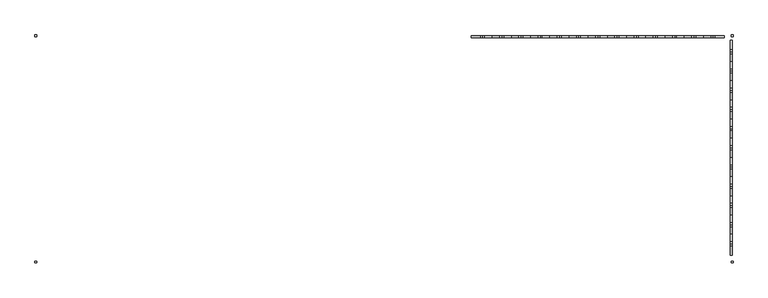
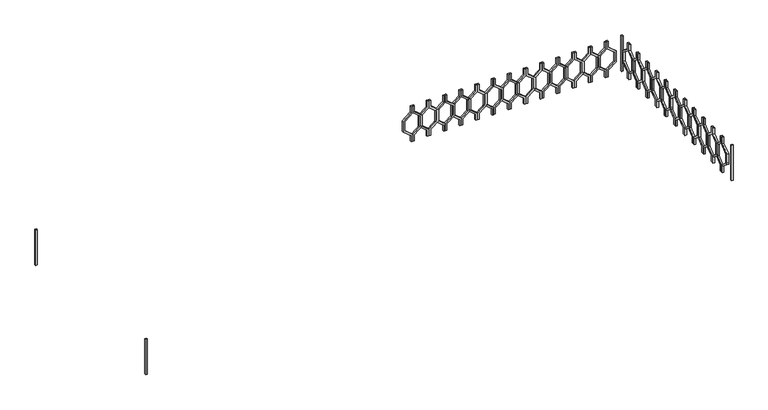
"""IFC4 building model written with IfcOpenShell, lengths in millimetres: railing geometry."""

from ifc_helpers import new_model, si_unit, frame, origin, place, context, project, spatial, polyline, outline, extrude, source, transform, mapped, element, save


def railing_4fcf7799(model_context):
    return source(origin(), model_context, "Body", "SweptSolid", [
        extrude(outline(polyline([(4960.0, -43314.9887159), (4960.0, -43334.9887159), (4880.0, -43334.9887159), (4800.0, -43433.9836653), (4660.0, -43433.9836653), (4580.0, -43334.9887159), (4500.0, -43334.9887159), (4500.0, -43314.9887159), (4589.551845, -43314.9887159), (4669.551845, -43413.9836653), (4790.448155, -43413.9836653), (4870.448155, -43314.9887159), (4960.0, -43314.9887159)])), frame((0.0, 3248.1079487, 0.0), z_axis=(0.0, 1.0, 0.0), x_axis=(0.0, 0.0, 1.0)), (0.0, 0.0, 1.0), 20.0),
        extrude(outline(polyline([(4960.0, -43314.9887159), (4870.448155, -43314.9887159), (4790.448155, -43215.9937665), (4669.551845, -43215.9937665), (4589.551845, -43314.9887159), (4500.0, -43314.9887159), (4500.0, -43294.9887159), (4580.0, -43294.9887159), (4660.0, -43195.9937665), (4800.0, -43195.9937665), (4880.0, -43294.9887159), (4960.0, -43294.9887159), (4960.0, -43314.9887159)])), frame((0.0, 3248.1079487, 0.0), z_axis=(0.0, 1.0, 0.0), x_axis=(0.0, 0.0, 1.0)), (0.0, 0.0, 1.0), 20.0),
        extrude(outline(polyline([(4960.0, -43114.9887159), (4960.0, -43134.9887159), (4880.0, -43134.9887159), (4800.0, -43233.9836653), (4660.0, -43233.9836653), (4580.0, -43134.9887159), (4500.0, -43134.9887159), (4500.0, -43114.9887159), (4589.551845, -43114.9887159), (4669.551845, -43213.9836653), (4790.448155, -43213.9836653), (4870.448155, -43114.9887159), (4960.0, -43114.9887159)])), frame((0.0, 3248.1079487, 0.0), z_axis=(0.0, 1.0, 0.0), x_axis=(0.0, 0.0, 1.0)), (0.0, 0.0, 1.0), 20.0),
        extrude(outline(polyline([(4960.0, -43114.9887159), (4870.448155, -43114.9887159), (4790.448155, -43015.9937665), (4669.551845, -43015.9937665), (4589.551845, -43114.9887159), (4500.0, -43114.9887159), (4500.0, -43094.9887159), (4580.0, -43094.9887159), (4660.0, -42995.9937665), (4800.0, -42995.9937665), (4880.0, -43094.9887159), (4960.0, -43094.9887159), (4960.0, -43114.9887159)])), frame((0.0, 3248.1079487, 0.0), z_axis=(0.0, 1.0, 0.0), x_axis=(0.0, 0.0, 1.0)), (0.0, 0.0, 1.0), 20.0),
        extrude(outline(polyline([(4960.0, -42914.9887159), (4960.0, -42934.9887159), (4880.0, -42934.9887159), (4800.0, -43033.9836653), (4660.0, -43033.9836653), (4580.0, -42934.9887159), (4500.0, -42934.9887159), (4500.0, -42914.9887159), (4589.551845, -42914.9887159), (4669.551845, -43013.9836653), (4790.448155, -43013.9836653), (4870.448155, -42914.9887159), (4960.0, -42914.9887159)])), frame((0.0, 3248.1079487, 0.0), z_axis=(0.0, 1.0, 0.0), x_axis=(0.0, 0.0, 1.0)), (0.0, 0.0, 1.0), 20.0),
        extrude(outline(polyline([(4960.0, -42914.9887159), (4870.448155, -42914.9887159), (4790.448155, -42815.9937665), (4669.551845, -42815.9937665), (4589.551845, -42914.9887159), (4500.0, -42914.9887159), (4500.0, -42894.9887159), (4580.0, -42894.9887159), (4660.0, -42795.9937665), (4800.0, -42795.9937665), (4880.0, -42894.9887159), (4960.0, -42894.9887159), (4960.0, -42914.9887159)])), frame((0.0, 3248.1079487, 0.0), z_axis=(0.0, 1.0, 0.0), x_axis=(0.0, 0.0, 1.0)), (0.0, 0.0, 1.0), 20.0),
        extrude(outline(polyline([(4960.0, -42714.9887159), (4960.0, -42734.9887159), (4880.0, -42734.9887159), (4800.0, -42833.9836653), (4660.0, -42833.9836653), (4580.0, -42734.9887159), (4500.0, -42734.9887159), (4500.0, -42714.9887159), (4589.551845, -42714.9887159), (4669.551845, -42813.9836653), (4790.448155, -42813.9836653), (4870.448155, -42714.9887159), (4960.0, -42714.9887159)])), frame((0.0, 3248.1079487, 0.0), z_axis=(0.0, 1.0, 0.0), x_axis=(0.0, 0.0, 1.0)), (0.0, 0.0, 1.0), 20.0),
        extrude(outline(polyline([(4960.0, -42714.9887159), (4870.448155, -42714.9887159), (4790.448155, -42615.9937665), (4669.551845, -42615.9937665), (4589.551845, -42714.9887159), (4500.0, -42714.9887159), (4500.0, -42694.9887159), (4580.0, -42694.9887159), (4660.0, -42595.9937665), (4800.0, -42595.9937665), (4880.0, -42694.9887159), (4960.0, -42694.9887159), (4960.0, -42714.9887159)])), frame((0.0, 3248.1079487, 0.0), z_axis=(0.0, 1.0, 0.0), x_axis=(0.0, 0.0, 1.0)), (0.0, 0.0, 1.0), 20.0),
        extrude(outline(polyline([(4960.0, -42514.9887159), (4960.0, -42534.9887159), (4880.0, -42534.9887159), (4800.0, -42633.9836653), (4660.0, -42633.9836653), (4580.0, -42534.9887159), (4500.0, -42534.9887159), (4500.0, -42514.9887159), (4589.551845, -42514.9887159), (4669.551845, -42613.9836653), (4790.448155, -42613.9836653), (4870.448155, -42514.9887159), (4960.0, -42514.9887159)])), frame((0.0, 3248.1079487, 0.0), z_axis=(0.0, 1.0, 0.0), x_axis=(0.0, 0.0, 1.0)), (0.0, 0.0, 1.0), 20.0),
        extrude(outline(polyline([(4960.0, -42514.9887159), (4870.448155, -42514.9887159), (4790.448155, -42415.9937665), (4669.551845, -42415.9937665), (4589.551845, -42514.9887159), (4500.0, -42514.9887159), (4500.0, -42494.9887159), (4580.0, -42494.9887159), (4660.0, -42395.9937665), (4800.0, -42395.9937665), (4880.0, -42494.9887159), (4960.0, -42494.9887159), (4960.0, -42514.9887159)])), frame((0.0, 3248.1079487, 0.0), z_axis=(0.0, 1.0, 0.0), x_axis=(0.0, 0.0, 1.0)), (0.0, 0.0, 1.0), 20.0),
        extrude(outline(polyline([(4960.0, -42314.9887159), (4960.0, -42334.9887159), (4880.0, -42334.9887159), (4800.0, -42433.9836653), (4660.0, -42433.9836653), (4580.0, -42334.9887159), (4500.0, -42334.9887159), (4500.0, -42314.9887159), (4589.551845, -42314.9887159), (4669.551845, -42413.9836653), (4790.448155, -42413.9836653), (4870.448155, -42314.9887159), (4960.0, -42314.9887159)])), frame((0.0, 3248.1079487, 0.0), z_axis=(0.0, 1.0, 0.0), x_axis=(0.0, 0.0, 1.0)), (0.0, 0.0, 1.0), 20.0),
        extrude(outline(polyline([(4960.0, -42314.9887159), (4870.448155, -42314.9887159), (4790.448155, -42215.9937665), (4669.551845, -42215.9937665), (4589.551845, -42314.9887159), (4500.0, -42314.9887159), (4500.0, -42294.9887159), (4580.0, -42294.9887159), (4660.0, -42195.9937665), (4800.0, -42195.9937665), (4880.0, -42294.9887159), (4960.0, -42294.9887159), (4960.0, -42314.9887159)])), frame((0.0, 3248.1079487, 0.0), z_axis=(0.0, 1.0, 0.0), x_axis=(0.0, 0.0, 1.0)), (0.0, 0.0, 1.0), 20.0),
        extrude(outline(polyline([(4960.0, -42114.9887159), (4960.0, -42134.9887159), (4880.0, -42134.9887159), (4800.0, -42233.9836653), (4660.0, -42233.9836653), (4580.0, -42134.9887159), (4500.0, -42134.9887159), (4500.0, -42114.9887159), (4589.551845, -42114.9887159), (4669.551845, -42213.9836653), (4790.448155, -42213.9836653), (4870.448155, -42114.9887159), (4960.0, -42114.9887159)])), frame((0.0, 3248.1079487, 0.0), z_axis=(0.0, 1.0, 0.0), x_axis=(0.0, 0.0, 1.0)), (0.0, 0.0, 1.0), 20.0),
        extrude(outline(polyline([(4960.0, -42114.9887159), (4870.448155, -42114.9887159), (4790.448155, -42015.9937665), (4669.551845, -42015.9937665), (4589.551845, -42114.9887159), (4500.0, -42114.9887159), (4500.0, -42094.9887159), (4580.0, -42094.9887159), (4660.0, -41995.9937665), (4800.0, -41995.9937665), (4880.0, -42094.9887159), (4960.0, -42094.9887159), (4960.0, -42114.9887159)])), frame((0.0, 3248.1079487, 0.0), z_axis=(0.0, 1.0, 0.0), x_axis=(0.0, 0.0, 1.0)), (0.0, 0.0, 1.0), 20.0),
        extrude(outline(polyline([(4960.0, -41914.9887159), (4960.0, -41934.9887159), (4880.0, -41934.9887159), (4800.0, -42033.9836653), (4660.0, -42033.9836653), (4580.0, -41934.9887159), (4500.0, -41934.9887159), (4500.0, -41914.9887159), (4589.551845, -41914.9887159), (4669.551845, -42013.9836653), (4790.448155, -42013.9836653), (4870.448155, -41914.9887159), (4960.0, -41914.9887159)])), frame((0.0, 3248.1079487, 0.0), z_axis=(0.0, 1.0, 0.0), x_axis=(0.0, 0.0, 1.0)), (0.0, 0.0, 1.0), 20.0),
        extrude(outline(polyline([(4960.0, -41914.9887159), (4870.448155, -41914.9887159), (4790.448155, -41815.9937665), (4669.551845, -41815.9937665), (4589.551845, -41914.9887159), (4500.0, -41914.9887159), (4500.0, -41894.9887159), (4580.0, -41894.9887159), (4660.0, -41795.9937665), (4800.0, -41795.9937665), (4880.0, -41894.9887159), (4960.0, -41894.9887159), (4960.0, -41914.9887159)])), frame((0.0, 3248.1079487, 0.0), z_axis=(0.0, 1.0, 0.0), x_axis=(0.0, 0.0, 1.0)), (0.0, 0.0, 1.0), 20.0),
        extrude(outline(polyline([(4960.0, -41714.9887159), (4960.0, -41734.9887159), (4880.0, -41734.9887159), (4800.0, -41833.9836653), (4660.0, -41833.9836653), (4580.0, -41734.9887159), (4500.0, -41734.9887159), (4500.0, -41714.9887159), (4589.551845, -41714.9887159), (4669.551845, -41813.9836653), (4790.448155, -41813.9836653), (4870.448155, -41714.9887159), (4960.0, -41714.9887159)])), frame((0.0, 3248.1079487, 0.0), z_axis=(0.0, 1.0, 0.0), x_axis=(0.0, 0.0, 1.0)), (0.0, 0.0, 1.0), 20.0),
        extrude(outline(polyline([(4960.0, -41714.9887159), (4870.448155, -41714.9887159), (4790.448155, -41615.9937665), (4669.551845, -41615.9937665), (4589.551845, -41714.9887159), (4500.0, -41714.9887159), (4500.0, -41694.9887159), (4580.0, -41694.9887159), (4660.0, -41595.9937665), (4800.0, -41595.9937665), (4880.0, -41694.9887159), (4960.0, -41694.9887159), (4960.0, -41714.9887159)])), frame((0.0, 3248.1079487, 0.0), z_axis=(0.0, 1.0, 0.0), x_axis=(0.0, 0.0, 1.0)), (0.0, 0.0, 1.0), 20.0),
        extrude(outline(polyline([(4960.0, -41514.9887159), (4960.0, -41534.9887159), (4880.0, -41534.9887159), (4800.0, -41633.9836653), (4660.0, -41633.9836653), (4580.0, -41534.9887159), (4500.0, -41534.9887159), (4500.0, -41514.9887159), (4589.551845, -41514.9887159), (4669.551845, -41613.9836653), (4790.448155, -41613.9836653), (4870.448155, -41514.9887159), (4960.0, -41514.9887159)])), frame((0.0, 3248.1079487, 0.0), z_axis=(0.0, 1.0, 0.0), x_axis=(0.0, 0.0, 1.0)), (0.0, 0.0, 1.0), 20.0),
        extrude(outline(polyline([(4960.0, -41514.9887159), (4870.448155, -41514.9887159), (4790.448155, -41415.9937665), (4669.551845, -41415.9937665), (4589.551845, -41514.9887159), (4500.0, -41514.9887159), (4500.0, -41494.9887159), (4580.0, -41494.9887159), (4660.0, -41395.9937665), (4800.0, -41395.9937665), (4880.0, -41494.9887159), (4960.0, -41494.9887159), (4960.0, -41514.9887159)])), frame((0.0, 3248.1079487, 0.0), z_axis=(0.0, 1.0, 0.0), x_axis=(0.0, 0.0, 1.0)), (0.0, 0.0, 1.0), 20.0),
        extrude(outline(polyline([(4960.0, -41314.9887159), (4960.0, -41334.9887159), (4880.0, -41334.9887159), (4800.0, -41433.9836653), (4660.0, -41433.9836653), (4580.0, -41334.9887159), (4500.0, -41334.9887159), (4500.0, -41314.9887159), (4589.551845, -41314.9887159), (4669.551845, -41413.9836653), (4790.448155, -41413.9836653), (4870.448155, -41314.9887159), (4960.0, -41314.9887159)])), frame((0.0, 3248.1079487, 0.0), z_axis=(0.0, 1.0, 0.0), x_axis=(0.0, 0.0, 1.0)), (0.0, 0.0, 1.0), 20.0),
        extrude(outline(polyline([(4960.0, -41314.9887159), (4870.448155, -41314.9887159), (4790.448155, -41215.9937665), (4669.551845, -41215.9937665), (4589.551845, -41314.9887159), (4500.0, -41314.9887159), (4500.0, -41294.9887159), (4580.0, -41294.9887159), (4660.0, -41195.9937665), (4800.0, -41195.9937665), (4880.0, -41294.9887159), (4960.0, -41294.9887159), (4960.0, -41314.9887159)])), frame((0.0, 3248.1079487, 0.0), z_axis=(0.0, 1.0, 0.0), x_axis=(0.0, 0.0, 1.0)), (0.0, 0.0, 1.0), 20.0),
        extrude(outline(polyline([(4960.0, -41114.9887159), (4960.0, -41134.9887159), (4880.0, -41134.9887159), (4800.0, -41233.9836653), (4660.0, -41233.9836653), (4580.0, -41134.9887159), (4500.0, -41134.9887159), (4500.0, -41114.9887159), (4589.551845, -41114.9887159), (4669.551845, -41213.9836653), (4790.448155, -41213.9836653), (4870.448155, -41114.9887159), (4960.0, -41114.9887159)])), frame((0.0, 3248.1079487, 0.0), z_axis=(0.0, 1.0, 0.0), x_axis=(0.0, 0.0, 1.0)), (0.0, 0.0, 1.0), 20.0),
        extrude(outline(polyline([(4960.0, -41114.9887159), (4870.448155, -41114.9887159), (4790.448155, -41015.9937665), (4669.551845, -41015.9937665), (4589.551845, -41114.9887159), (4500.0, -41114.9887159), (4500.0, -41094.9887159), (4580.0, -41094.9887159), (4660.0, -40995.9937665), (4800.0, -40995.9937665), (4880.0, -41094.9887159), (4960.0, -41094.9887159), (4960.0, -41114.9887159)])), frame((0.0, 3248.1079487, 0.0), z_axis=(0.0, 1.0, 0.0), x_axis=(0.0, 0.0, 1.0)), (0.0, 0.0, 1.0), 20.0),
        extrude(outline(polyline([(4960.0, -40914.9887159), (4960.0, -40934.9887159), (4880.0, -40934.9887159), (4800.0, -41033.9836653), (4660.0, -41033.9836653), (4580.0, -40934.9887159), (4500.0, -40934.9887159), (4500.0, -40914.9887159), (4589.551845, -40914.9887159), (4669.551845, -41013.9836653), (4790.448155, -41013.9836653), (4870.448155, -40914.9887159), (4960.0, -40914.9887159)])), frame((0.0, 3248.1079487, 0.0), z_axis=(0.0, 1.0, 0.0), x_axis=(0.0, 0.0, 1.0)), (0.0, 0.0, 1.0), 20.0),
        extrude(outline(polyline([(4960.0, -40914.9887159), (4870.448155, -40914.9887159), (4790.448155, -40815.9937665), (4669.551845, -40815.9937665), (4589.551845, -40914.9887159), (4500.0, -40914.9887159), (4500.0, -40894.9887159), (4580.0, -40894.9887159), (4660.0, -40795.9937665), (4800.0, -40795.9937665), (4880.0, -40894.9887159), (4960.0, -40894.9887159), (4960.0, -40914.9887159)])), frame((0.0, 3248.1079487, 0.0), z_axis=(0.0, 1.0, 0.0), x_axis=(0.0, 0.0, 1.0)), (0.0, 0.0, 1.0), 20.0),
        extrude(outline(polyline([(3103.1079487, 4960.0), (3123.1079487, 4960.0), (3123.1079487, 4880.0), (3222.102898, 4800.0), (3222.102898, 4660.0), (3123.1079487, 4580.0), (3123.1079487, 4500.0), (3103.1079487, 4500.0), (3103.1079487, 4589.551845), (3202.102898, 4669.551845), (3202.102898, 4790.448155), (3103.1079487, 4870.448155), (3103.1079487, 4960.0)])), frame((-40734.9887159, 0.0, 0.0), z_axis=(1.0, 0.0, 0.0), x_axis=(0.0, 1.0, 0.0)), (0.0, 0.0, 1.0), 20.0),
        extrude(outline(polyline([(3103.1079487, 4960.0), (3103.1079487, 4870.448155), (3004.1129993, 4790.448155), (3004.1129993, 4669.551845), (3103.1079487, 4589.551845), (3103.1079487, 4500.0), (3083.1079487, 4500.0), (3083.1079487, 4580.0), (2984.1129993, 4660.0), (2984.1129993, 4800.0), (3083.1079487, 4880.0), (3083.1079487, 4960.0), (3103.1079487, 4960.0)])), frame((-40734.9887159, 0.0, 0.0), z_axis=(1.0, 0.0, 0.0), x_axis=(0.0, 1.0, 0.0)), (0.0, 0.0, 1.0), 20.0),
        extrude(outline(polyline([(2903.1079487, 4960.0), (2923.1079487, 4960.0), (2923.1079487, 4880.0), (3022.102898, 4800.0), (3022.102898, 4660.0), (2923.1079487, 4580.0), (2923.1079487, 4500.0), (2903.1079487, 4500.0), (2903.1079487, 4589.551845), (3002.102898, 4669.551845), (3002.102898, 4790.448155), (2903.1079487, 4870.448155), (2903.1079487, 4960.0)])), frame((-40734.9887159, 0.0, 0.0), z_axis=(1.0, 0.0, 0.0), x_axis=(0.0, 1.0, 0.0)), (0.0, 0.0, 1.0), 20.0),
        extrude(outline(polyline([(2903.1079487, 4960.0), (2903.1079487, 4870.448155), (2804.1129993, 4790.448155), (2804.1129993, 4669.551845), (2903.1079487, 4589.551845), (2903.1079487, 4500.0), (2883.1079487, 4500.0), (2883.1079487, 4580.0), (2784.1129993, 4660.0), (2784.1129993, 4800.0), (2883.1079487, 4880.0), (2883.1079487, 4960.0), (2903.1079487, 4960.0)])), frame((-40734.9887159, 0.0, 0.0), z_axis=(1.0, 0.0, 0.0), x_axis=(0.0, 1.0, 0.0)), (0.0, 0.0, 1.0), 20.0),
        extrude(outline(polyline([(2703.1079487, 4960.0), (2723.1079487, 4960.0), (2723.1079487, 4880.0), (2822.102898, 4800.0), (2822.102898, 4660.0), (2723.1079487, 4580.0), (2723.1079487, 4500.0), (2703.1079487, 4500.0), (2703.1079487, 4589.551845), (2802.102898, 4669.551845), (2802.102898, 4790.448155), (2703.1079487, 4870.448155), (2703.1079487, 4960.0)])), frame((-40734.9887159, 0.0, 0.0), z_axis=(1.0, 0.0, 0.0), x_axis=(0.0, 1.0, 0.0)), (0.0, 0.0, 1.0), 20.0),
        extrude(outline(polyline([(2703.1079487, 4960.0), (2703.1079487, 4870.448155), (2604.1129993, 4790.448155), (2604.1129993, 4669.551845), (2703.1079487, 4589.551845), (2703.1079487, 4500.0), (2683.1079487, 4500.0), (2683.1079487, 4580.0), (2584.1129993, 4660.0), (2584.1129993, 4800.0), (2683.1079487, 4880.0), (2683.1079487, 4960.0), (2703.1079487, 4960.0)])), frame((-40734.9887159, 0.0, 0.0), z_axis=(1.0, 0.0, 0.0), x_axis=(0.0, 1.0, 0.0)), (0.0, 0.0, 1.0), 20.0),
        extrude(outline(polyline([(2503.1079487, 4960.0), (2523.1079487, 4960.0), (2523.1079487, 4880.0), (2622.102898, 4800.0), (2622.102898, 4660.0), (2523.1079487, 4580.0), (2523.1079487, 4500.0), (2503.1079487, 4500.0), (2503.1079487, 4589.551845), (2602.102898, 4669.551845), (2602.102898, 4790.448155), (2503.1079487, 4870.448155), (2503.1079487, 4960.0)])), frame((-40734.9887159, 0.0, 0.0), z_axis=(1.0, 0.0, 0.0), x_axis=(0.0, 1.0, 0.0)), (0.0, 0.0, 1.0), 20.0),
        extrude(outline(polyline([(2503.1079487, 4960.0), (2503.1079487, 4870.448155), (2404.1129993, 4790.448155), (2404.1129993, 4669.551845), (2503.1079487, 4589.551845), (2503.1079487, 4500.0), (2483.1079487, 4500.0), (2483.1079487, 4580.0), (2384.1129993, 4660.0), (2384.1129993, 4800.0), (2483.1079487, 4880.0), (2483.1079487, 4960.0), (2503.1079487, 4960.0)])), frame((-40734.9887159, 0.0, 0.0), z_axis=(1.0, 0.0, 0.0), x_axis=(0.0, 1.0, 0.0)), (0.0, 0.0, 1.0), 20.0),
        extrude(outline(polyline([(2303.1079487, 4960.0), (2323.1079487, 4960.0), (2323.1079487, 4880.0), (2422.102898, 4800.0), (2422.102898, 4660.0), (2323.1079487, 4580.0), (2323.1079487, 4500.0), (2303.1079487, 4500.0), (2303.1079487, 4589.551845), (2402.102898, 4669.551845), (2402.102898, 4790.448155), (2303.1079487, 4870.448155), (2303.1079487, 4960.0)])), frame((-40734.9887159, 0.0, 0.0), z_axis=(1.0, 0.0, 0.0), x_axis=(0.0, 1.0, 0.0)), (0.0, 0.0, 1.0), 20.0),
        extrude(outline(polyline([(2303.1079487, 4960.0), (2303.1079487, 4870.448155), (2204.1129993, 4790.448155), (2204.1129993, 4669.551845), (2303.1079487, 4589.551845), (2303.1079487, 4500.0), (2283.1079487, 4500.0), (2283.1079487, 4580.0), (2184.1129993, 4660.0), (2184.1129993, 4800.0), (2283.1079487, 4880.0), (2283.1079487, 4960.0), (2303.1079487, 4960.0)])), frame((-40734.9887159, 0.0, 0.0), z_axis=(1.0, 0.0, 0.0), x_axis=(0.0, 1.0, 0.0)), (0.0, 0.0, 1.0), 20.0),
        extrude(outline(polyline([(2103.1079487, 4960.0), (2123.1079487, 4960.0), (2123.1079487, 4880.0), (2222.102898, 4800.0), (2222.102898, 4660.0), (2123.1079487, 4580.0), (2123.1079487, 4500.0), (2103.1079487, 4500.0), (2103.1079487, 4589.551845), (2202.102898, 4669.551845), (2202.102898, 4790.448155), (2103.1079487, 4870.448155), (2103.1079487, 4960.0)])), frame((-40734.9887159, 0.0, 0.0), z_axis=(1.0, 0.0, 0.0), x_axis=(0.0, 1.0, 0.0)), (0.0, 0.0, 1.0), 20.0),
        extrude(outline(polyline([(2103.1079487, 4960.0), (2103.1079487, 4870.448155), (2004.1129993, 4790.448155), (2004.1129993, 4669.551845), (2103.1079487, 4589.551845), (2103.1079487, 4500.0), (2083.1079487, 4500.0), (2083.1079487, 4580.0), (1984.1129993, 4660.0), (1984.1129993, 4800.0), (2083.1079487, 4880.0), (2083.1079487, 4960.0), (2103.1079487, 4960.0)])), frame((-40734.9887159, 0.0, 0.0), z_axis=(1.0, 0.0, 0.0), x_axis=(0.0, 1.0, 0.0)), (0.0, 0.0, 1.0), 20.0),
        extrude(outline(polyline([(1903.1079487, 4960.0), (1923.1079487, 4960.0), (1923.1079487, 4880.0), (2022.102898, 4800.0), (2022.102898, 4660.0), (1923.1079487, 4580.0), (1923.1079487, 4500.0), (1903.1079487, 4500.0), (1903.1079487, 4589.551845), (2002.102898, 4669.551845), (2002.102898, 4790.448155), (1903.1079487, 4870.448155), (1903.1079487, 4960.0)])), frame((-40734.9887159, 0.0, 0.0), z_axis=(1.0, 0.0, 0.0), x_axis=(0.0, 1.0, 0.0)), (0.0, 0.0, 1.0), 20.0),
        extrude(outline(polyline([(1903.1079487, 4960.0), (1903.1079487, 4870.448155), (1804.1129993, 4790.448155), (1804.1129993, 4669.551845), (1903.1079487, 4589.551845), (1903.1079487, 4500.0), (1883.1079487, 4500.0), (1883.1079487, 4580.0), (1784.1129993, 4660.0), (1784.1129993, 4800.0), (1883.1079487, 4880.0), (1883.1079487, 4960.0), (1903.1079487, 4960.0)])), frame((-40734.9887159, 0.0, 0.0), z_axis=(1.0, 0.0, 0.0), x_axis=(0.0, 1.0, 0.0)), (0.0, 0.0, 1.0), 20.0),
        extrude(outline(polyline([(1703.1079487, 4960.0), (1723.1079487, 4960.0), (1723.1079487, 4880.0), (1822.102898, 4800.0), (1822.102898, 4660.0), (1723.1079487, 4580.0), (1723.1079487, 4500.0), (1703.1079487, 4500.0), (1703.1079487, 4589.551845), (1802.102898, 4669.551845), (1802.102898, 4790.448155), (1703.1079487, 4870.448155), (1703.1079487, 4960.0)])), frame((-40734.9887159, 0.0, 0.0), z_axis=(1.0, 0.0, 0.0), x_axis=(0.0, 1.0, 0.0)), (0.0, 0.0, 1.0), 20.0),
        extrude(outline(polyline([(1703.1079487, 4960.0), (1703.1079487, 4870.448155), (1604.1129993, 4790.448155), (1604.1129993, 4669.551845), (1703.1079487, 4589.551845), (1703.1079487, 4500.0), (1683.1079487, 4500.0), (1683.1079487, 4580.0), (1584.1129993, 4660.0), (1584.1129993, 4800.0), (1683.1079487, 4880.0), (1683.1079487, 4960.0), (1703.1079487, 4960.0)])), frame((-40734.9887159, 0.0, 0.0), z_axis=(1.0, 0.0, 0.0), x_axis=(0.0, 1.0, 0.0)), (0.0, 0.0, 1.0), 20.0),
        extrude(outline(polyline([(1503.1079487, 4960.0), (1523.1079487, 4960.0), (1523.1079487, 4880.0), (1622.102898, 4800.0), (1622.102898, 4660.0), (1523.1079487, 4580.0), (1523.1079487, 4500.0), (1503.1079487, 4500.0), (1503.1079487, 4589.551845), (1602.102898, 4669.551845), (1602.102898, 4790.448155), (1503.1079487, 4870.448155), (1503.1079487, 4960.0)])), frame((-40734.9887159, 0.0, 0.0), z_axis=(1.0, 0.0, 0.0), x_axis=(0.0, 1.0, 0.0)), (0.0, 0.0, 1.0), 20.0),
        extrude(outline(polyline([(1503.1079487, 4960.0), (1503.1079487, 4870.448155), (1404.1129993, 4790.448155), (1404.1129993, 4669.551845), (1503.1079487, 4589.551845), (1503.1079487, 4500.0), (1483.1079487, 4500.0), (1483.1079487, 4580.0), (1384.1129993, 4660.0), (1384.1129993, 4800.0), (1483.1079487, 4880.0), (1483.1079487, 4960.0), (1503.1079487, 4960.0)])), frame((-40734.9887159, 0.0, 0.0), z_axis=(1.0, 0.0, 0.0), x_axis=(0.0, 1.0, 0.0)), (0.0, 0.0, 1.0), 20.0),
        extrude(outline(polyline([(1303.1079487, 4960.0), (1323.1079487, 4960.0), (1323.1079487, 4880.0), (1422.102898, 4800.0), (1422.102898, 4660.0), (1323.1079487, 4580.0), (1323.1079487, 4500.0), (1303.1079487, 4500.0), (1303.1079487, 4589.551845), (1402.102898, 4669.551845), (1402.102898, 4790.448155), (1303.1079487, 4870.448155), (1303.1079487, 4960.0)])), frame((-40734.9887159, 0.0, 0.0), z_axis=(1.0, 0.0, 0.0), x_axis=(0.0, 1.0, 0.0)), (0.0, 0.0, 1.0), 20.0),
        extrude(outline(polyline([(1303.1079487, 4960.0), (1303.1079487, 4870.448155), (1204.1129993, 4790.448155), (1204.1129993, 4669.551845), (1303.1079487, 4589.551845), (1303.1079487, 4500.0), (1283.1079487, 4500.0), (1283.1079487, 4580.0), (1184.1129993, 4660.0), (1184.1129993, 4800.0), (1283.1079487, 4880.0), (1283.1079487, 4960.0), (1303.1079487, 4960.0)])), frame((-40734.9887159, 0.0, 0.0), z_axis=(1.0, 0.0, 0.0), x_axis=(0.0, 1.0, 0.0)), (0.0, 0.0, 1.0), 20.0),
        extrude(outline(polyline([(1103.1079487, 4960.0), (1123.1079487, 4960.0), (1123.1079487, 4880.0), (1222.102898, 4800.0), (1222.102898, 4660.0), (1123.1079487, 4580.0), (1123.1079487, 4500.0), (1103.1079487, 4500.0), (1103.1079487, 4589.551845), (1202.102898, 4669.551845), (1202.102898, 4790.448155), (1103.1079487, 4870.448155), (1103.1079487, 4960.0)])), frame((-40734.9887159, 0.0, 0.0), z_axis=(1.0, 0.0, 0.0), x_axis=(0.0, 1.0, 0.0)), (0.0, 0.0, 1.0), 20.0),
        extrude(outline(polyline([(1103.1079487, 4960.0), (1103.1079487, 4870.448155), (1004.1129993, 4790.448155), (1004.1129993, 4669.551845), (1103.1079487, 4589.551845), (1103.1079487, 4500.0), (1083.1079487, 4500.0), (1083.1079487, 4580.0), (984.1129993, 4660.0), (984.1129993, 4800.0), (1083.1079487, 4880.0), (1083.1079487, 4960.0), (1103.1079487, 4960.0)])), frame((-40734.9887159, 0.0, 0.0), z_axis=(1.0, 0.0, 0.0), x_axis=(0.0, 1.0, 0.0)), (0.0, 0.0, 1.0), 20.0),
        extrude(outline(polyline([(-47954.9887159, 3278.1079487), (-47954.9887159, 3258.1079487), (-47974.9887159, 3258.1079487), (-47974.9887159, 3278.1079487), (-47954.9887159, 3278.1079487)])), frame((0.0, 0.0, 4500.0), z_axis=(0.0, 0.0, 1.0), x_axis=(1.0, 0.0, 0.0)), (0.0, 0.0, 1.0), 460.0),
        extrude(outline(polyline([(-40704.9887159, 3258.1079487), (-40724.9887159, 3258.1079487), (-40724.9887159, 3278.1079487), (-40704.9887159, 3278.1079487), (-40704.9887159, 3258.1079487)])), frame((0.0, 0.0, 4500.0), z_axis=(0.0, 0.0, 1.0), x_axis=(1.0, 0.0, 0.0)), (0.0, 0.0, 1.0), 460.0),
        extrude(outline(polyline([(-47974.9887159, 923.1079487), (-47954.9887159, 923.1079487), (-47954.9887159, 903.1079487), (-47974.9887159, 903.1079487), (-47974.9887159, 923.1079487)])), frame((0.0, 0.0, 4500.0), z_axis=(0.0, 0.0, 1.0), x_axis=(1.0, 0.0, 0.0)), (0.0, 0.0, 1.0), 460.0),
        extrude(outline(polyline([(-40704.9887159, 903.1079487), (-40724.9887159, 903.1079487), (-40724.9887159, 923.1079487), (-40704.9887159, 923.1079487), (-40704.9887159, 903.1079487)])), frame((0.0, 0.0, 4500.0), z_axis=(0.0, 0.0, 1.0), x_axis=(1.0, 0.0, 0.0)), (0.0, 0.0, 1.0), 460.0),
    ])


if __name__ == "__main__":
    model = new_model("IFC4")
    model_context = context("Model", 3, world=origin())
    ifc_project = project(units=[si_unit("LENGTHUNIT", "METRE", prefix="MILLI")], contexts=[model_context])
    site = spatial("IfcSite", under=ifc_project)
    building = spatial("IfcBuilding", under=site)
    placement = place(None, origin())
    railing_shape = railing_4fcf7799(model_context)
    element("IfcRailing", 1, at=placement, inside=building, context=model_context, shape_type="MappedRepresentation", body=[
        mapped(railing_shape, transform((0.0, 0.0, 0.0), x_axis=(1.0, 0.0, 0.0), y_axis=(0.0, 1.0, 0.0), z_axis=(0.0, 0.0, 1.0))),
    ])
    save(model, "model.ifc")
